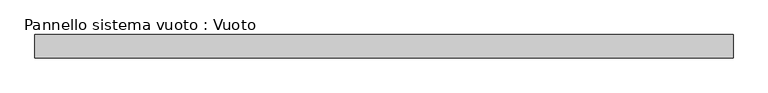
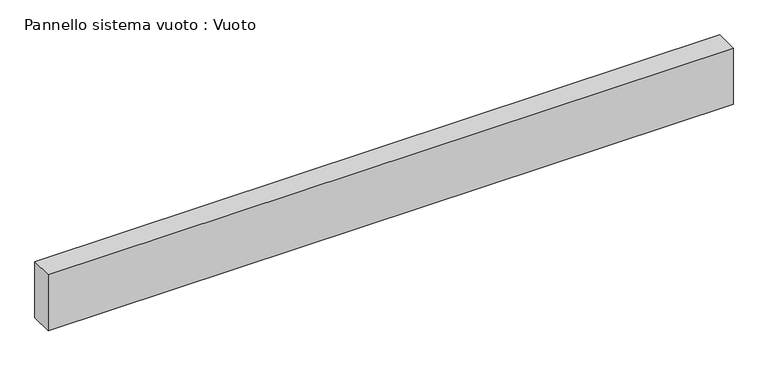
"""IFC4 building model written with IfcOpenShell, lengths in millimetres: plate geometry, Pannello sistema vuoto : Vuoto."""

from ifc_helpers import new_model, si_unit, origin, origin_with_axes, place, context, project, spatial, polyline, outline, extrude, source, transform, mapped, element, save


def pannello_sistema_vuoto_vuoto_88c3282f(model_context):
    return source(origin(), model_context, "Body", "SweptSolid", [
        extrude(outline(polyline([(1500.0, -50.0), (-1500.0, -50.0), (-1500.0, 50.0), (1500.0, 50.0), (1500.0, -50.0)])), origin_with_axes(), (0.0, 0.0, 1.0), 259.3363148),
    ])


if __name__ == "__main__":
    model = new_model("IFC4")
    model_context = context("Model", 3, world=origin())
    ifc_project = project(units=[si_unit("LENGTHUNIT", "METRE", prefix="MILLI")], contexts=[model_context])
    site = spatial("IfcSite", under=ifc_project)
    building = spatial("IfcBuilding", under=site)
    placement = place(None, origin())
    pannello_sistema_vuoto_vuoto_shape = pannello_sistema_vuoto_vuoto_88c3282f(model_context)
    element("IfcPlate", 1, ObjectType="Pannello sistema vuoto : Vuoto", at=placement, inside=building, context=model_context, shape_type="MappedRepresentation", body=[
        mapped(pannello_sistema_vuoto_vuoto_shape, transform((0.0, 0.0, 0.0), x_axis=(1.0, 0.0, 0.0), y_axis=(0.0, 1.0, 0.0), z_axis=(0.0, 0.0, 1.0))),
    ])
    save(model, "model.ifc")
